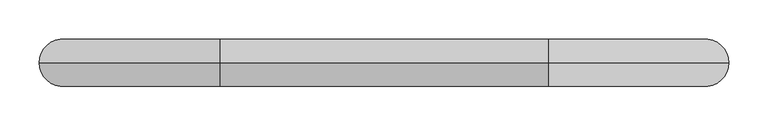
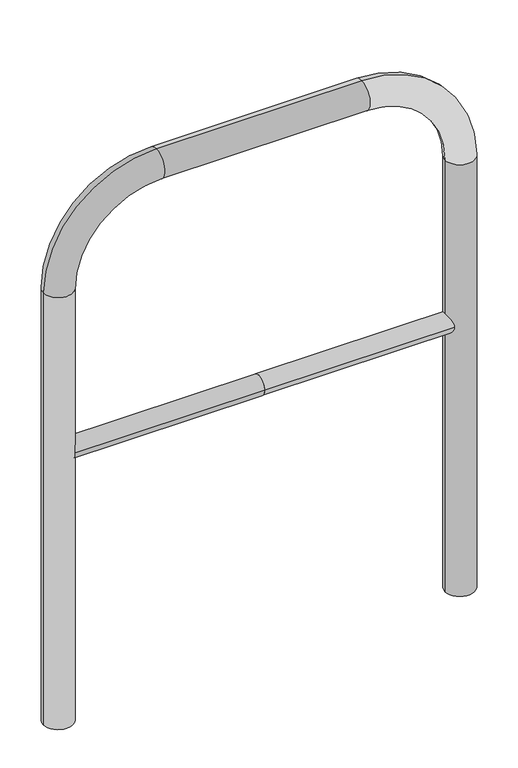
"""IFC4 building model written with IfcOpenShell, lengths in millimetres: proxy geometry."""

from ifc_helpers import new_model, si_unit, point, frame, frame_2d, origin, place, context, project, spatial, circle_curve, ellipse_curve, trimmed, segment, composite_curve, outline, extrude, source, transform, mapped, element, save
from ifc_brep_helpers import plane_surface, cylinder_surface, revolved_surface, advanced_brep


def generic_models_730ea816(model_context):
    return source(origin(), model_context, "Body", "SolidModel", [
        extrude(outline(composite_curve([segment(trimmed(circle_curve(frame_2d((0.0, 498.4778375)), 20.0), [point((20.0, 498.4778375))], [point((-20.0, 498.4778375))], False, "CARTESIAN"), True, "CONTINUOUS"), segment(trimmed(circle_curve(frame_2d((0.0, 498.4778375)), 20.0), [point((-20.0, 498.4778375))], [point((20.0, 498.4778375))], False, "CARTESIAN"), True, "CONTINUOUS")], self_intersect=False)), frame((-409.5819207, 0.0, 0.0), z_axis=(1.0, 0.0, 0.0), x_axis=(0.0, 1.0, 0.0)), (0.0, 0.0, 1.0), 409.5819207),
        extrude(outline(composite_curve([segment(trimmed(circle_curve(frame_2d((0.0, 498.4778375)), 20.0), [point((20.0, 498.4778375))], [point((-20.0, 498.4778375))], False, "CARTESIAN"), True, "CONTINUOUS"), segment(trimmed(circle_curve(frame_2d((0.0, 498.4778375)), 20.0), [point((-20.0, 498.4778375))], [point((20.0, 498.4778375))], False, "CARTESIAN"), True, "CONTINUOUS")], self_intersect=False)), frame((0.0, 0.0, 0.0), z_axis=(1.0, 0.0, 0.0), x_axis=(0.0, 1.0, 0.0)), (0.0, 0.0, 1.0), 409.5819207),
        advanced_brep(
        [(-379.5819207, 0.0, -80.0), (-439.5819207, 0.0, -80.0), (-439.5819207, 0.0, 850.0), (-379.5819207, 0.0, 850.0), (-209.5819207, 0.0, 1080.0), (-209.5819207, 0.0, 1020.0), (209.5819207, 0.0, 1080.0), (209.5819207, 0.0, 1020.0), (439.5819207, 0.0, 850.0), (379.5819207, 0.0, 850.0), (379.5819207, 0.0, -80.0), (439.5819207, 0.0, -80.0)],
        [
            (0, 1, circle_curve(frame((-409.5819207, 0.0, -80.0), z_axis=(0.0, 0.0, -1.0), x_axis=(-1.0, 0.0, 0.0)), 30.0)),
            (1, 0, circle_curve(frame((-409.5819207, 0.0, -80.0), z_axis=(0.0, 0.0, -1.0), x_axis=(-1.0, 0.0, 0.0)), 30.0)),
            (1, 2),
            (2, 3, circle_curve(frame((-409.5819207, 0.0, 850.0), z_axis=(0.0, 0.0, -1.0), x_axis=(-1.0, 0.0, 0.0)), 30.0)),
            (3, 0),
            (3, 2, circle_curve(frame((-409.5819207, 0.0, 850.0), z_axis=(0.0, 0.0, -1.0), x_axis=(-1.0, 0.0, 0.0)), 30.0)),
            (4, 5, circle_curve(frame((-209.5819207, 0.0, 1050.0), z_axis=(-1.0, 0.0, 0.0), x_axis=(0.0, 0.0, 1.0)), 30.0)),
            (5, 3, circle_curve(frame((-209.5819207, 0.0, 850.0), z_axis=(0.0, -1.0, 0.0), x_axis=(-1.0, 0.0, 0.0)), 170.0)),
            (2, 4, circle_curve(frame((-209.5819207, 0.0, 850.0), z_axis=(0.0, 1.0, 0.0), x_axis=(-1.0, 0.0, 0.0)), 230.0)),
            (5, 4, circle_curve(frame((-209.5819207, 0.0, 1050.0), z_axis=(-1.0, 0.0, 0.0), x_axis=(0.0, 0.0, 1.0)), 30.0)),
            (4, 6),
            (6, 7, circle_curve(frame((209.5819207, 0.0, 1050.0), z_axis=(-1.0, 0.0, 0.0), x_axis=(0.0, 0.0, 1.0)), 30.0)),
            (7, 5),
            (7, 6, circle_curve(frame((209.5819207, 0.0, 1050.0), z_axis=(-1.0, 0.0, 0.0), x_axis=(0.0, 0.0, 1.0)), 30.0)),
            (8, 9, circle_curve(frame((409.5819207, 0.0, 850.0), z_axis=(0.0, 0.0, 1.0), x_axis=(1.0, 0.0, 0.0)), 30.0)),
            (9, 7, circle_curve(frame((209.5819207, 0.0, 850.0), z_axis=(0.0, -1.0, 0.0), x_axis=(0.0, 0.0, 1.0)), 170.0)),
            (6, 8, circle_curve(frame((209.5819207, 0.0, 850.0), z_axis=(0.0, 1.0, 0.0), x_axis=(0.0, 0.0, 1.0)), 230.0)),
            (9, 8, circle_curve(frame((409.5819207, 0.0, 850.0), z_axis=(0.0, 0.0, 1.0), x_axis=(1.0, 0.0, 0.0)), 30.0)),
            (10, 11, circle_curve(frame((409.5819207, 0.0, -80.0), z_axis=(0.0, 0.0, -1.0), x_axis=(1.0, 0.0, 0.0)), 30.0)),
            (11, 10, circle_curve(frame((409.5819207, 0.0, -80.0), z_axis=(0.0, 0.0, -1.0), x_axis=(1.0, 0.0, 0.0)), 30.0)),
            (8, 11),
            (10, 9),
        ],
        [
            plane_surface(frame((-409.5819207, 0.0, -80.0), z_axis=(0.0, 0.0, -1.0), x_axis=(0.0, 1.0, 0.0))),
            cylinder_surface(frame((-409.5819207, 0.0, -80.0), z_axis=(0.0, 0.0, -1.0), x_axis=(-1.0, 0.0, 0.0)), 30.0),
            revolved_surface(trimmed(ellipse_curve(frame((-409.5819207, 0.0, 850.0), z_axis=(0.0, 0.0, 1.0), x_axis=(-1.0, 0.0, 0.0)), 30.0, 30.0), [point((-379.5819207, 0.0, 850.0))], [point((-439.5819207, 0.0, 850.0))], True, "CARTESIAN"), (-209.5819207, 0.0, 850.0), (0.0, -1.0, 0.0)),
            revolved_surface(trimmed(ellipse_curve(frame((-409.5819207, 0.0, 850.0), z_axis=(0.0, 0.0, 1.0), x_axis=(-1.0, 0.0, 0.0)), 30.0, 30.0), [point((-439.5819207, 0.0, 850.0))], [point((-379.5819207, 0.0, 850.0))], True, "CARTESIAN"), (-209.5819207, 0.0, 850.0), (0.0, -1.0, 0.0)),
            cylinder_surface(frame((-209.5819207, 0.0, 1050.0), z_axis=(-1.0, 0.0, 0.0), x_axis=(0.0, 0.0, 1.0)), 30.0),
            revolved_surface(trimmed(ellipse_curve(frame((209.5819207, 0.0, 1050.0), z_axis=(1.0, 0.0, 0.0), x_axis=(0.0, 0.0, 1.0)), 30.0, 30.0), [point((209.5819207, 0.0, 1020.0))], [point((209.5819207, 0.0, 1080.0))], True, "CARTESIAN"), (209.5819207, 0.0, 850.0), (0.0, -1.0, 0.0)),
            revolved_surface(trimmed(ellipse_curve(frame((209.5819207, 0.0, 1050.0), z_axis=(1.0, 0.0, 0.0), x_axis=(0.0, 0.0, 1.0)), 30.0, 30.0), [point((209.5819207, 0.0, 1080.0))], [point((209.5819207, 0.0, 1020.0))], True, "CARTESIAN"), (209.5819207, 0.0, 850.0), (0.0, -1.0, 0.0)),
            plane_surface(frame((409.5819207, 0.0, -80.0), z_axis=(0.0, 0.0, -1.0), x_axis=(0.0, 1.0, 0.0))),
            cylinder_surface(frame((409.5819207, 0.0, 850.0), z_axis=(0.0, 0.0, 1.0), x_axis=(1.0, 0.0, 0.0)), 30.0),
        ],
        [
            (0, [[1, 2]]),
            (1, [[3, 4, 5, -2]]),
            (1, [[-5, 6, -3, -1]]),
            (2, [[7, 8, -4, 9]]),
            (3, [[10, -9, -6, -8]]),
            (4, [[11, 12, 13, -7]]),
            (4, [[-13, 14, -11, -10]]),
            (5, [[15, 16, -12, 17]]),
            (6, [[18, -17, -14, -16]]),
            (7, [[19, 20]]),
            (8, [[21, -19, 22, -15]]),
            (8, [[-22, -20, -21, -18]]),
        ],
    ),
    ])


if __name__ == "__main__":
    model = new_model("IFC4")
    model_context = context("Model", 3, world=origin())
    ifc_project = project(units=[si_unit("LENGTHUNIT", "METRE", prefix="MILLI")], contexts=[model_context])
    site = spatial("IfcSite", under=ifc_project)
    building = spatial("IfcBuilding", under=site)
    placement = place(None, origin())
    generic_models_shape = generic_models_730ea816(model_context)
    element("IfcBuildingElementProxy", 1, Name="Generic Models", at=placement, inside=building, context=model_context, shape_type="MappedRepresentation", body=[
        mapped(generic_models_shape, transform((0.0, 0.0, 0.0), x_axis=(1.0, 0.0, 0.0), y_axis=(0.0, 1.0, 0.0), z_axis=(0.0, 0.0, 1.0))),
    ])
    save(model, "model.ifc")
